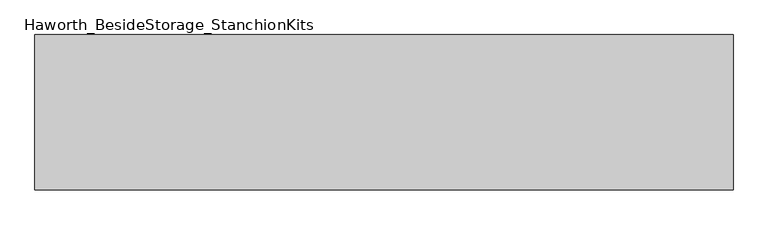
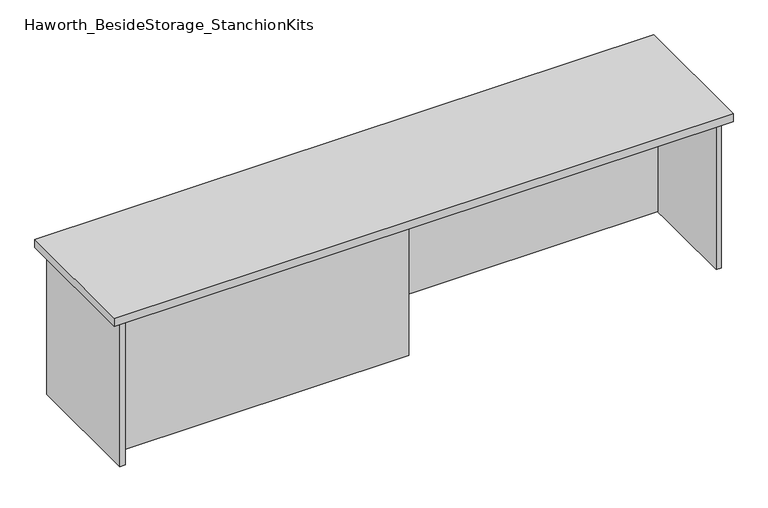
"""IFC4 building model written with IfcOpenShell, lengths in millimetres: furniture geometry, Haworth_BesideStorage_StanchionKits."""

from ifc_helpers import new_model, si_unit, frame, origin, place, context, project, spatial, polyline, outline, extrude, source, transform, mapped, element, save


def haworth_besidestorage_stanchionkits_07252cce(model_context):
    return source(origin(), model_context, "Body", "SweptSolid", [
        extrude(outline(polyline([(1076.325, 0.0), (1076.325, -406.4), (-752.475, -406.4), (-752.475, 0.0), (1076.325, 0.0)])), frame((0.0, 0.0, 889.0), z_axis=(0.0, 0.0, 1.0), x_axis=(1.0, 0.0, 0.0)), (0.0, 0.0, 1.0), 25.4),
        extrude(outline(polyline([(161.925, -76.2), (1035.05, -76.2), (1035.05, -92.075), (161.925, -92.075), (161.925, -76.2)])), frame((0.0, 0.0, 431.8), z_axis=(0.0, 0.0, 1.0), x_axis=(1.0, 0.0, 0.0)), (0.0, 0.0, 1.0), 457.2),
        extrude(outline(polyline([(161.925, -314.325), (161.925, -330.2), (-711.2, -330.2), (-711.2, -314.325), (161.925, -314.325)])), frame((0.0, 0.0, 431.8), z_axis=(0.0, 0.0, 1.0), x_axis=(1.0, 0.0, 0.0)), (0.0, 0.0, 1.0), 457.2),
        extrude(outline(polyline([(1050.925, -390.525), (1035.05, -390.525), (1035.05, -15.875), (1050.925, -15.875), (1050.925, -390.525)])), frame((0.0, 0.0, 431.8), z_axis=(0.0, 0.0, 1.0), x_axis=(1.0, 0.0, 0.0)), (0.0, 0.0, 1.0), 457.2),
        extrude(outline(polyline([(-711.2, -390.525), (-727.075, -390.525), (-727.075, -15.875), (-711.2, -15.875), (-711.2, -390.525)])), frame((0.0, 0.0, 431.8), z_axis=(0.0, 0.0, 1.0), x_axis=(1.0, 0.0, 0.0)), (0.0, 0.0, 1.0), 457.2),
    ])


if __name__ == "__main__":
    model = new_model("IFC4")
    model_context = context("Model", 3, world=origin())
    ifc_project = project(units=[si_unit("LENGTHUNIT", "METRE", prefix="MILLI")], contexts=[model_context])
    site = spatial("IfcSite", under=ifc_project)
    building = spatial("IfcBuilding", under=site)
    placement = place(None, origin())
    haworth_besidestorage_stanchionkits_shape = haworth_besidestorage_stanchionkits_07252cce(model_context)
    element("IfcFurniture", 1, ObjectType="Haworth_BesideStorage_StanchionKits", at=placement, inside=building, context=model_context, shape_type="MappedRepresentation", body=[
        mapped(haworth_besidestorage_stanchionkits_shape, transform((0.0, 0.0, 0.0), x_axis=(1.0, 0.0, 0.0), y_axis=(0.0, 1.0, 0.0), z_axis=(0.0, 0.0, 1.0))),
    ])
    save(model, "model.ifc")
